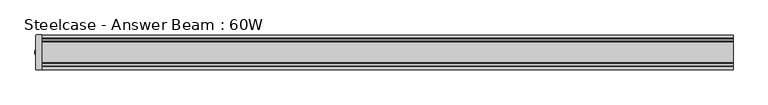
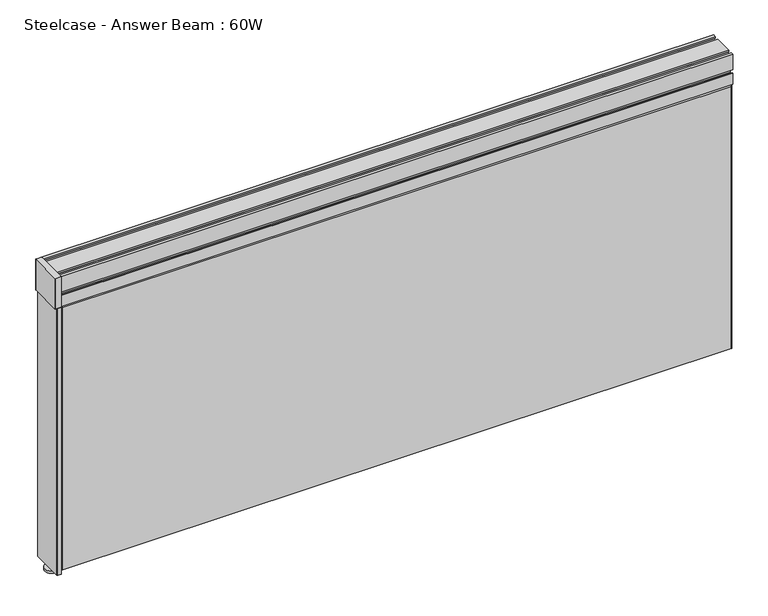
"""IFC4 building model written with IfcOpenShell, lengths in millimetres: furniture geometry, Steelcase - Answer Beam : 60W."""

from ifc_helpers import new_model, si_unit, point, frame, frame_2d, origin, place, context, project, spatial, polyline, circle_curve, trimmed, segment, composite_curve, outline, extrude, faceted_brep, source, transform, mapped, element, save
from ifc_brep_helpers import plane_surface, cylinder_surface, advanced_brep


def steelcase_answer_beam_60w_f8c0516d(model_context):
    return source(origin(), model_context, "Body", "SolidModel", [
        extrude(outline(composite_curve([segment(polyline([(0.0, -37.0205422), (-7.8693814, -37.0205422)]), True, "CONTINUOUS"), segment(trimmed(circle_curve(frame_2d((-7.8693814, -35.719506)), 1.3010361), [point((-7.8693814, -37.0205422))], [point((-9.1704175, -35.719506))], False, "CARTESIAN"), True, "CONTINUOUS"), segment(polyline([(-9.1704175, -35.719506), (-9.1704175, 38.6714634)]), True, "CONTINUOUS"), segment(trimmed(circle_curve(frame_2d((-7.9004175, 38.6714634)), 1.27), [point((-9.1704175, 38.6714634))], [point((-7.9004175, 39.9414634))], False, "CARTESIAN"), True, "CONTINUOUS"), segment(polyline([(-7.9004175, 39.9414634), (0.0, 39.9414634), (0.0, -37.0205422)]), True, "CONTINUOUS")], self_intersect=False)), frame((0.0, 0.0, 10.6172003), z_axis=(0.0, 0.0, 1.0), x_axis=(1.0, 0.0, 0.0)), (0.0, 0.0, 1.0), 640.5296701),
        extrude(outline(composite_curve([segment(polyline([(0.0, -37.0205422), (-12.0743096, -37.0205422)]), True, "CONTINUOUS"), segment(trimmed(circle_curve(frame_2d((-12.0743096, -35.719506)), 1.3010361), [point((-12.0743096, -37.0205422))], [point((-13.3753458, -35.719506))], False, "CARTESIAN"), True, "CONTINUOUS"), segment(polyline([(-13.3753458, -35.719506), (-13.3753458, 38.6714634)]), True, "CONTINUOUS"), segment(trimmed(circle_curve(frame_2d((-12.1053458, 38.6714634)), 1.27), [point((-13.3753458, 38.6714634))], [point((-12.1053458, 39.9414634))], False, "CARTESIAN"), True, "CONTINUOUS"), segment(polyline([(-12.1053458, 39.9414634), (0.0, 39.9414634), (0.0, -37.0205422)]), True, "CONTINUOUS")], self_intersect=False)), frame((0.0, 0.0, 651.1468705), z_axis=(0.0, 0.0, 1.0), x_axis=(1.0, 0.0, 0.0)), (0.0, 0.0, 1.0), 73.5296311),
        advanced_brep(
        [(0.0, 16.7639889, 0.0), (0.0, -13.7159889, 0.0), (0.0, 1.524, 0.0), (0.0, -13.7159889, 5.0800003), (0.0, 16.7639889, 5.0800003), (0.0, -3.5559952, 5.0800003), (0.0, 6.6039952, 5.0800003), (0.0, 6.6039952, 15.4686007), (0.0, -3.5559952, 15.4686007), (0.0, 1.524, 15.4686007)],
        [
            (0, 1, circle_curve(frame((0.0, 1.524, 0.0), z_axis=(0.0, 0.0, -1.0), x_axis=(0.0, 1.0, 0.0)), 15.2399889)),
            (1, 2),
            (2, 0),
            (3, 4, circle_curve(frame((0.0, 1.524, 5.0800003), z_axis=(0.0, 0.0, -1.0), x_axis=(0.0, 1.0, 0.0)), 15.2399889)),
            (4, 0),
            (0, 1, circle_curve(frame((0.0, 1.524, 0.0), z_axis=(0.0, 0.0, 1.0), x_axis=(0.0, 1.0, 0.0)), 15.2399889)),
            (1, 3),
            (5, 6, circle_curve(frame((0.0, 1.524, 5.0800003), z_axis=(0.0, 0.0, -1.0), x_axis=(0.0, 1.0, 0.0)), 5.0799952)),
            (6, 4),
            (3, 5),
            (6, 5, circle_curve(frame((0.0, 1.524, 5.0800003), z_axis=(0.0, 0.0, -1.0), x_axis=(0.0, 1.0, 0.0)), 5.0799952)),
            (3, 4, circle_curve(frame((0.0, 1.524, 5.0800003), z_axis=(0.0, 0.0, 1.0), x_axis=(0.0, 1.0, 0.0)), 15.2399889)),
            (7, 8, circle_curve(frame((0.0, 1.524, 15.4686007), z_axis=(0.0, 0.0, -1.0), x_axis=(0.0, 1.0, 0.0)), 5.0799952)),
            (8, 5),
            (6, 7),
            (9, 7),
            (7, 8, circle_curve(frame((0.0, 1.524, 15.4686007), z_axis=(0.0, 0.0, 1.0), x_axis=(0.0, 1.0, 0.0)), 5.0799952)),
            (8, 9),
        ],
        [
            plane_surface(frame((0.0, 1.524, 0.0), z_axis=(0.0, 0.0, -1.0), x_axis=(0.0, 1.0, 0.0))),
            cylinder_surface(frame((0.0, 1.524, 13.8171881), z_axis=(0.0, 0.0, 1.0), x_axis=(0.0, 1.0, 0.0)), 15.2399889),
            plane_surface(frame((0.0, 1.524, 5.0800003), z_axis=(0.0, 0.0, 1.0), x_axis=(0.0, 1.0, 0.0))),
            cylinder_surface(frame((0.0, 1.524, 13.8171881), z_axis=(0.0, 0.0, 1.0), x_axis=(0.0, 1.0, 0.0)), 5.0799952),
            plane_surface(frame((0.0, 1.524, 15.4686007), z_axis=(0.0, 0.0, 1.0), x_axis=(0.0, 1.0, 0.0))),
        ],
        [
            (0, [[1, 2, 3]]),
            (1, [[4, 5, 6, 7]]),
            (2, [[8, 9, -4, 10]]),
            (2, [[11, -10, 12, -9]]),
            (3, [[13, 14, -11, 15]]),
            (4, [[16, 17, 18]]),
            (0, [[-6, -3, -2]]),
            (1, [[-12, -7, -1, -5]]),
            (3, [[-17, -15, -8, -14]]),
            (4, [[-18, -13, -16]]),
        ],
    ),
        faceted_brep([(1524.0, 34.8615783, 652.41333), (0.0, 34.8615783, 652.41333), (0.0, 34.8615783, 15.4686007), (1524.0, 34.8615783, 15.4686007), (1520.19, 39.6240691, 648.60333), (1520.19, 39.6240691, 19.2786007), (3.8480867, 39.6240691, 19.2786007), (3.8480867, 39.6240691, 648.60333)], [[[0, 1, 2, 3]], [[4, 5, 6, 7]], [[4, 7, 1, 0]], [[7, 6, 2, 1]], [[6, 5, 3, 2]], [[5, 4, 0, 3]]]),
        faceted_brep([(1524.0, -31.8135783, 652.41333), (1524.0, -31.8135783, 15.4686007), (0.0, -31.8135783, 15.4686007), (0.0, -31.8135783, 652.41333), (1520.19, -36.5760691, 648.60333), (3.8480867, -36.5760691, 648.60333), (3.8480867, -36.5760691, 19.2786007), (1520.19, -36.5760691, 19.2786007)], [[[0, 1, 2, 3]], [[4, 5, 6, 7]], [[5, 4, 0, 3]], [[6, 5, 3, 2]], [[7, 6, 2, 1]], [[4, 7, 1, 0]]]),
        extrude(outline(polyline([(-20.5021911, 724.6765015), (23.5501911, 724.6765015), (23.5501911, 720.866487), (19.9941888, 720.866487), (19.9941888, 717.2031205), (24.539536, 714.5788631), (25.727386, 714.5788631), (25.727386, 712.2204304), (31.4901929, 712.2204304), (37.0364693, 717.0417349), (37.0364693, 720.866487), (33.3290087, 720.866487), (33.3290087, 724.6765015), (39.6790087, 724.6765015), (39.6790087, 687.0860949), (37.0364693, 687.0860949), (37.0364693, 690.6024312), (29.4441877, 690.3485097), (29.4441877, 675.6167666), (37.6735741, 675.6167666), (37.6735741, 678.7024545), (39.6790087, 678.7024545), (39.6790087, 652.41333), (32.2819003, 652.41333), (29.940357, 653.0407446), (29.940357, 656.1974246), (27.4921546, 658.645627), (27.4921546, 661.4388676), (31.7641792, 658.9724131), (31.7641792, 654.9535408), (35.8741803, 654.9535408), (35.8741803, 669.4233437), (33.415002, 671.882522), (27.4921546, 671.882522), (27.4921546, 694.4124694), (33.8421546, 694.4124694), (35.8741803, 696.4444951), (35.8741803, 706.4215572), (34.0289451, 708.2667924), (29.8412424, 708.2667924), (25.727386, 704.1529359), (-22.679386, 704.1529359), (-26.7932424, 708.2667924), (-30.9809451, 708.2667924), (-32.8261803, 706.4215572), (-32.8261803, 696.4444951), (-30.7941546, 694.4124694), (-24.4441546, 694.4124694), (-24.4441546, 671.882522), (-30.367002, 671.882522), (-32.8261803, 669.4233437), (-32.8261803, 654.9535408), (-28.7161792, 654.9535408), (-28.7161792, 658.9724131), (-24.4441546, 661.4388676), (-24.4441546, 658.645627), (-26.892357, 656.1974246), (-26.892357, 653.0407446), (-29.2339003, 652.41333), (-36.6310087, 652.41333), (-36.6310087, 678.7024545), (-34.6255741, 678.7024545), (-34.6255741, 675.6167666), (-26.3961877, 675.6167666), (-26.3961877, 690.3485097), (-33.9884693, 690.6024312), (-33.9884693, 687.0860949), (-36.6310087, 687.0860949), (-36.6310087, 724.6765015), (-30.2810087, 724.6765015), (-30.2810087, 720.866487), (-33.9884693, 720.866487), (-33.9884693, 717.0417349), (-28.4421929, 712.2204304), (-22.679386, 712.2204304), (-22.679386, 714.5788631), (-21.491536, 714.5788631), (-16.9461888, 717.2031205), (-16.9461888, 720.866487), (-20.5021911, 720.866487), (-20.5021911, 724.6765015)])), frame((0.0, 0.0, 0.0), z_axis=(1.0, 0.0, 0.0), x_axis=(0.0, 1.0, 0.0)), (0.0, 0.0, 1.0), 1524.0),
    ])


if __name__ == "__main__":
    model = new_model("IFC4")
    model_context = context("Model", 3, world=origin())
    ifc_project = project(units=[si_unit("LENGTHUNIT", "METRE", prefix="MILLI")], contexts=[model_context])
    site = spatial("IfcSite", under=ifc_project)
    building = spatial("IfcBuilding", under=site)
    placement = place(None, origin())
    steelcase_answer_beam_60w_shape = steelcase_answer_beam_60w_f8c0516d(model_context)
    element("IfcFurniture", 1, ObjectType="Steelcase - Answer Beam : 60W", at=placement, inside=building, context=model_context, shape_type="MappedRepresentation", body=[
        mapped(steelcase_answer_beam_60w_shape, transform((0.0, 0.0, 0.0), x_axis=(1.0, 0.0, 0.0), y_axis=(0.0, 1.0, 0.0), z_axis=(0.0, 0.0, 1.0))),
    ])
    save(model, "model.ifc")
